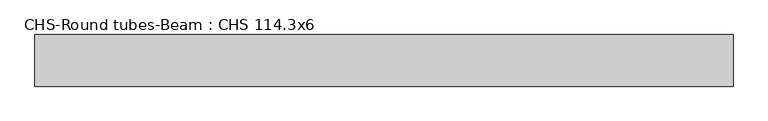
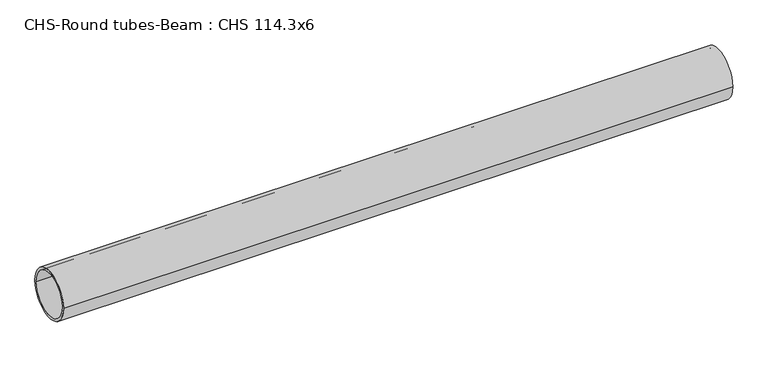
"""IFC4 building model written with IfcOpenShell, lengths in millimetres: beam geometry, CHS-Round tubes-Beam : CHS 114.3x6."""

from ifc_helpers import new_model, si_unit, point, frame, origin, origin_2d, place, context, project, spatial, circle_curve, trimmed, segment, composite_curve, outline, extrude, source, transform, mapped, element, save


def chs_round_tubes_beam_chs_114_3x6_62341a6e(model_context):
    return source(origin(), model_context, "Body", "SweptSolid", [
        extrude(outline(composite_curve([segment(trimmed(circle_curve(origin_2d(), 57.15), [point((57.15, 0.0))], [point((-57.15, 0.0))], False, "CARTESIAN"), True, "CONTINUOUS"), segment(trimmed(circle_curve(origin_2d(), 57.15), [point((-57.15, 0.0))], [point((57.15, 0.0))], False, "CARTESIAN"), True, "CONTINUOUS")], self_intersect=False), holes=[composite_curve([segment(trimmed(circle_curve(origin_2d(), 51.15), [point((51.15, 0.0))], [point((-51.15, 0.0))], True, "CARTESIAN"), True, "CONTINUOUS"), segment(trimmed(circle_curve(origin_2d(), 51.15), [point((-51.15, 0.0))], [point((51.15, 0.0))], True, "CARTESIAN"), True, "CONTINUOUS")], self_intersect=False)]), frame((-747.5064968, 0.0, 0.0), z_axis=(1.0, 0.0, 0.0), x_axis=(0.0, 1.0, 0.0)), (0.0, 0.0, 1.0), 1544.926261),
    ])


if __name__ == "__main__":
    model = new_model("IFC4")
    model_context = context("Model", 3, world=origin())
    ifc_project = project(units=[si_unit("LENGTHUNIT", "METRE", prefix="MILLI")], contexts=[model_context])
    site = spatial("IfcSite", under=ifc_project)
    building = spatial("IfcBuilding", under=site)
    placement = place(None, origin())
    chs_round_tubes_beam_chs_114_3x6_shape = chs_round_tubes_beam_chs_114_3x6_62341a6e(model_context)
    element("IfcBeam", 1, ObjectType="CHS-Round tubes-Beam : CHS 114.3x6", at=placement, inside=building, context=model_context, shape_type="MappedRepresentation", body=[
        mapped(chs_round_tubes_beam_chs_114_3x6_shape, transform((0.0, 0.0, 0.0), x_axis=(1.0, 0.0, 0.0), y_axis=(0.0, 1.0, 0.0), z_axis=(0.0, 0.0, 1.0))),
    ])
    save(model, "model.ifc")
